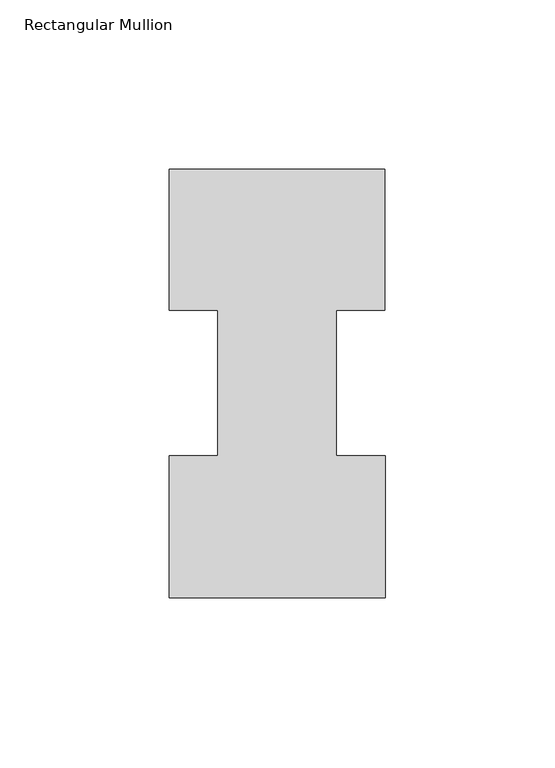
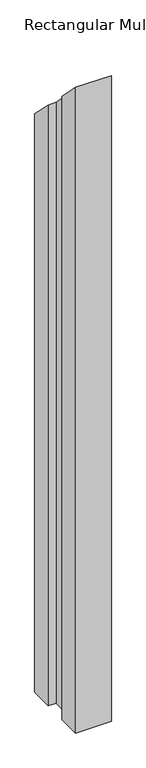
"""IFC4 building model written with IfcOpenShell, lengths in millimetres: member geometry, Rectangular Mullion."""

from ifc_helpers import new_model, si_unit, origin, place, context, project, spatial, faceted_brep, source, transform, mapped, element, save


def rectangular_mullion_98d080db(model_context):
    return source(origin(), model_context, "Body", "Brep", [
        faceted_brep([(-63.5, 0.2428875, -1219.1976187), (-63.5, 42.2798875, -1219.1976187), (-49.21504, 42.2798875, -1219.1976187), (-49.21504, 85.1296875, -1219.1976187), (-63.5, 85.1296875, -1219.1976187), (-63.5, 126.7348875, -1219.1976187), (0.0, 126.7348875, -1219.1976187), (0.0, 85.1296875, -1219.1976187), (-14.2748, 85.1296875, -1219.1976187), (-14.2748, 42.2798875, -1219.1976187), (0.2408142, 42.2798875, -1219.1976187), (0.2408142, 0.2428875, -1219.1976187), (0.2408142, 0.2428875, -0.2428875), (-63.5, 0.2428875, -0.2428875), (0.2408142, 42.2798875, -42.2798875), (-14.2748, 42.2798875, -42.2798875), (-14.2748, 85.1296875, -85.1296875), (0.0, 85.1296875, -85.1296875), (0.0, 126.7348875, -126.7348875), (-63.5, 126.7348875, -126.7348875), (-63.5, 85.1296875, -85.1296875), (-49.21504, 85.1296875, -85.1296875), (-49.21504, 42.2798875, -42.2798875), (-63.5, 42.2798875, -42.2798875)], [[[0, 1, 2, 3, 4, 5, 6, 7, 8, 9, 10, 11]], [[12, 13, 0, 11]], [[14, 12, 11, 10]], [[15, 14, 10, 9]], [[16, 15, 9, 8]], [[17, 16, 8, 7]], [[18, 17, 7, 6]], [[19, 18, 6, 5]], [[20, 19, 5, 4]], [[21, 20, 4, 3]], [[22, 21, 3, 2]], [[23, 22, 2, 1]], [[13, 23, 1, 0]], [[13, 12, 14, 15, 16, 17, 18, 19, 20, 21, 22, 23]]]),
    ])


if __name__ == "__main__":
    model = new_model("IFC4")
    model_context = context("Model", 3, world=origin())
    ifc_project = project(units=[si_unit("LENGTHUNIT", "METRE", prefix="MILLI")], contexts=[model_context])
    site = spatial("IfcSite", under=ifc_project)
    building = spatial("IfcBuilding", under=site)
    placement = place(None, origin())
    rectangular_mullion_shape = rectangular_mullion_98d080db(model_context)
    element("IfcMember", 1, ObjectType="Rectangular Mullion", at=placement, inside=building, context=model_context, shape_type="MappedRepresentation", body=[
        mapped(rectangular_mullion_shape, transform((0.0, 0.0, 0.0), x_axis=(1.0, 0.0, 0.0), y_axis=(0.0, 1.0, 0.0), z_axis=(0.0, 0.0, 1.0))),
    ])
    save(model, "model.ifc")
